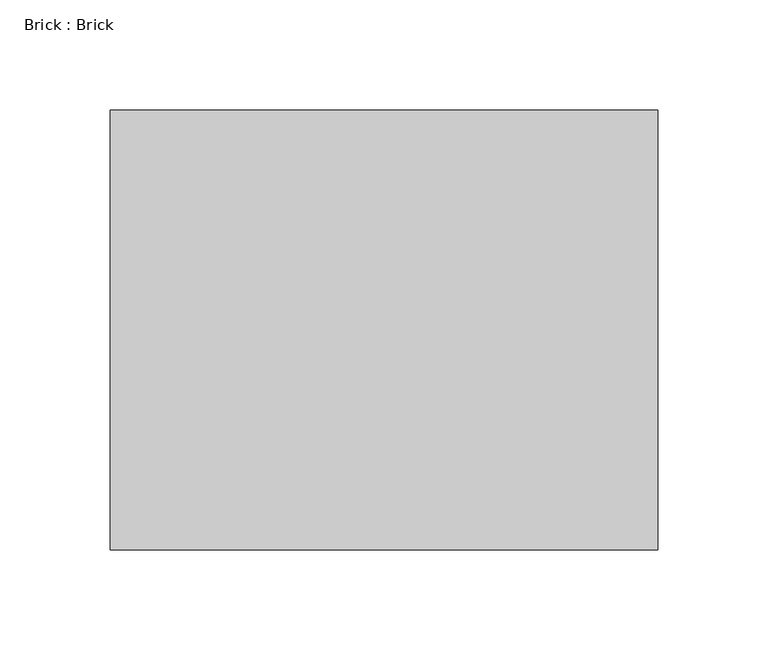
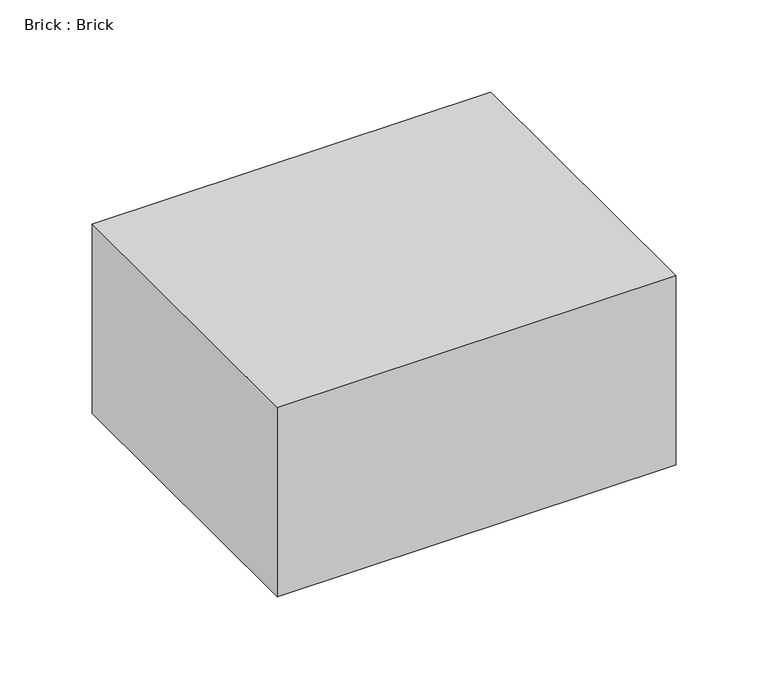
"""IFC4 building model written with IfcOpenShell, lengths in millimetres: proxy geometry, Brick : Brick."""

from ifc_helpers import new_model, si_unit, frame, origin, place, context, project, spatial, polyline, outline, extrude, source, transform, mapped, element, save


def brick_brick_793f345e(model_context):
    return source(origin(), model_context, "Body", "SweptSolid", [
        extrude(outline(polyline([(124.5, 100.0), (124.5, -100.0), (-124.5, -100.0), (-124.5, 100.0), (124.5, 100.0)])), frame((0.0, 0.0, -62.5), z_axis=(0.0, 0.0, 1.0), x_axis=(1.0, 0.0, 0.0)), (0.0, 0.0, 1.0), 125.0),
    ])


if __name__ == "__main__":
    model = new_model("IFC4")
    model_context = context("Model", 3, world=origin())
    ifc_project = project(units=[si_unit("LENGTHUNIT", "METRE", prefix="MILLI")], contexts=[model_context])
    site = spatial("IfcSite", under=ifc_project)
    building = spatial("IfcBuilding", under=site)
    placement = place(None, origin())
    brick_brick_shape = brick_brick_793f345e(model_context)
    element("IfcBuildingElementProxy", 1, Name="Brick : Brick", ObjectType="Brick : Brick", at=placement, inside=building, context=model_context, shape_type="MappedRepresentation", body=[
        mapped(brick_brick_shape, transform((0.0, 0.0, 0.0), x_axis=(1.0, 0.0, 0.0), y_axis=(0.0, 1.0, 0.0), z_axis=(0.0, 0.0, 1.0))),
    ])
    save(model, "model.ifc")
